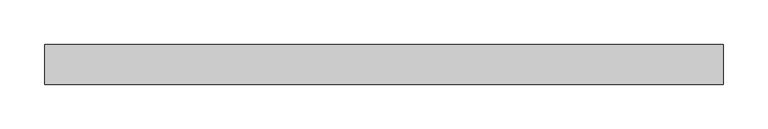
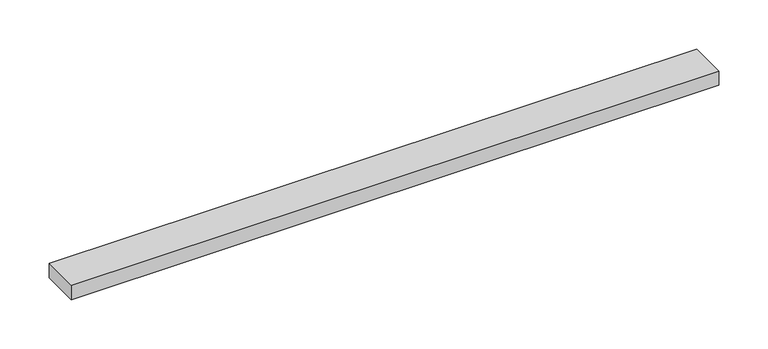
"""IFC4 building model written with IfcOpenShell, lengths in millimetres: beam geometry."""

from ifc_helpers import new_model, si_unit, frame, origin, place, context, project, spatial, polyline, outline, extrude, source, transform, mapped, element, save


def beam_1112da1b(model_context):
    return source(origin(), model_context, "Body", "SweptSolid", [
        extrude(outline(polyline([(381.0, -22.5), (-381.0, -22.5), (-381.0, 22.5), (381.0, 22.5), (381.0, -22.5)])), frame((0.0, 0.0, -9.0), z_axis=(0.0, 0.0, 1.0), x_axis=(1.0, 0.0, 0.0)), (0.0, 0.0, 1.0), 18.0),
    ])


if __name__ == "__main__":
    model = new_model("IFC4")
    model_context = context("Model", 3, world=origin())
    ifc_project = project(units=[si_unit("LENGTHUNIT", "METRE", prefix="MILLI")], contexts=[model_context])
    site = spatial("IfcSite", under=ifc_project)
    building = spatial("IfcBuilding", under=site)
    placement = place(None, origin())
    beam_shape = beam_1112da1b(model_context)
    element("IfcBeam", 1, at=placement, inside=building, context=model_context, shape_type="MappedRepresentation", body=[
        mapped(beam_shape, transform((0.0, 0.0, 0.0), x_axis=(1.0, 0.0, 0.0), y_axis=(0.0, 1.0, 0.0), z_axis=(0.0, 0.0, 1.0))),
    ])
    save(model, "model.ifc")
